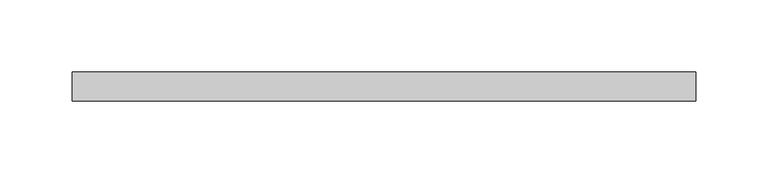
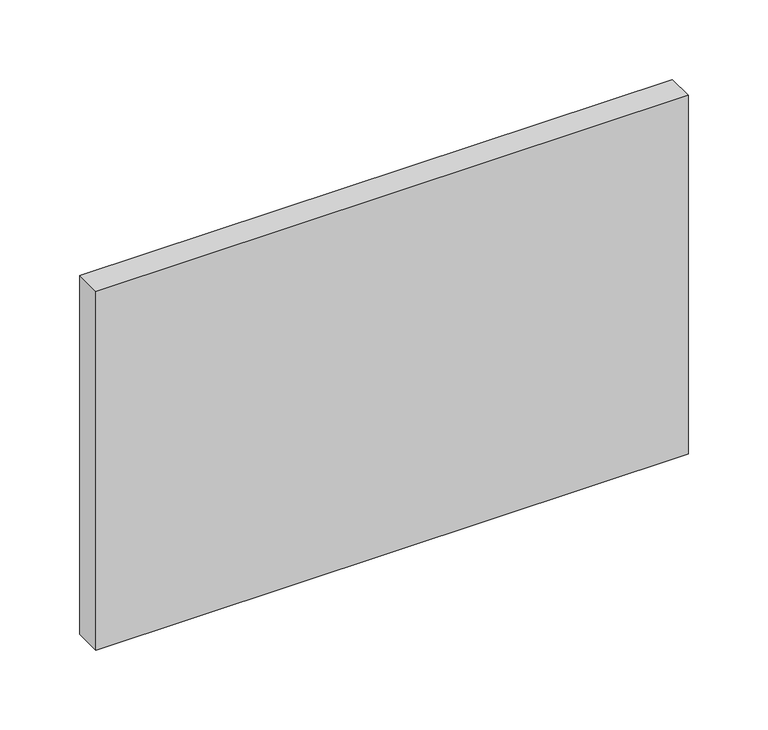
"""IFC4 building model written with IfcOpenShell, lengths in millimetres: plate geometry."""

import ifcopenshell
import ifcopenshell.guid

model = None  # the IFC model being written
_history = None  # IfcOwnerHistory: only IFC2X3 demands one
_inside = {}  # id of a spatial element -> (the spatial element, [elements in it])
_under = {}  # id of a project, library or spatial element -> (it, [spatial elements below it])
_declared = {}  # id of a project -> (the project, [libraries it declares])
_typed = {}  # id of a type object -> (the type object, [elements of that type])
_made_of = {}  # id of a material, layer set ... -> (it, [elements and type objects made of it])


def new_model(schema):
    """Start an empty IFC model of exactly this schema.

    Asked for "IFC4X3", IfcOpenShell would pick the latest addendum, in which some entities
    have other attributes; the version numbers below select the first issue.
    IFC2X3 requires an IfcOwnerHistory on every rooted entity: one is made here for all.
    """
    global model, _history
    if schema == "IFC4X3":
        model = ifcopenshell.file(schema_version=(4, 3, 0, 0))
    else:
        model = ifcopenshell.file(schema=schema)
    _inside.clear()
    _under.clear()
    _declared.clear()
    _typed.clear()
    _made_of.clear()
    _history = None
    if model.schema == "IFC2X3":
        org = make("IfcOrganization", Name="unknown")
        user = make(
            "IfcPersonAndOrganization",
            ThePerson=make("IfcPerson", FamilyName="unknown"),
            TheOrganization=org,
        )
        app = make(
            "IfcApplication",
            ApplicationDeveloper=org,
            Version="unknown",
            ApplicationFullName="unknown",
            ApplicationIdentifier="unknown",
        )
        _history = make(
            "IfcOwnerHistory",
            OwningUser=user,
            OwningApplication=app,
            ChangeAction="ADDED",
            CreationDate=0,
        )
    return model


def make(cls, **values):
    """One entity of the class cls with the attributes given. An attribute that is None is left unset."""
    return model.create_entity(
        cls, **{name: value for name, value in values.items() if value is not None}
    )


def rooted(cls, **values):
    """An entity with a GlobalId (a new one), such as an element, a storey or a relation."""
    return make(cls, GlobalId=ifcopenshell.guid.new(), OwnerHistory=_history, **values)


def si_unit(unit_type, name, prefix=None):
    """IfcSIUnit, for example si_unit("LENGTHUNIT", "METRE", prefix="MILLI")."""
    return make("IfcSIUnit", UnitType=unit_type, Prefix=prefix, Name=name)


def assignment(units):
    """IfcUnitAssignment: the units of a project."""
    return None if units is None else make("IfcUnitAssignment", Units=units)


def point(xyz):
    """IfcCartesianPoint."""
    return None if xyz is None else make("IfcCartesianPoint", Coordinates=xyz)


def direction(xyz):
    """IfcDirection."""
    return None if xyz is None else make("IfcDirection", DirectionRatios=xyz)


def frame(location, z_axis=None, x_axis=None):
    """IfcAxis2Placement3D, a coordinate frame: its origin and axes. An axis left out is left unset."""
    return make(
        "IfcAxis2Placement3D",
        Location=point(location),
        Axis=direction(z_axis),
        RefDirection=direction(x_axis),
    )


def origin():
    """The frame at (0, 0, 0) with its axes left unset."""
    return frame((0.0, 0.0, 0.0))


def origin_with_axes():
    """The frame at (0, 0, 0) with the z axis (0, 0, 1) and the x axis (1, 0, 0) written out."""
    return frame((0.0, 0.0, 0.0), z_axis=(0.0, 0.0, 1.0), x_axis=(1.0, 0.0, 0.0))


def place(relative_to, where):
    """IfcLocalPlacement: puts the frame where relative to a parent placement (None: the world)."""
    return make(
        "IfcLocalPlacement", PlacementRelTo=relative_to, RelativePlacement=where
    )


def context(
    kind, dimensions, precision=None, world=None, true_north=None, identifier=None
):
    """IfcGeometricRepresentationContext, for example the 3D "Model" context."""
    return make(
        "IfcGeometricRepresentationContext",
        ContextIdentifier=identifier,
        ContextType=kind,
        CoordinateSpaceDimension=dimensions,
        Precision=precision,
        WorldCoordinateSystem=world,
        TrueNorth=true_north,
    )


def project(units=None, contexts=None):
    """IfcProject with its units and contexts."""
    return rooted(
        "IfcProject",
        Name="project",
        RepresentationContexts=contexts,
        UnitsInContext=assignment(units),
    )


def spatial(cls, under=None, at=None, **own):
    """A site, building, storey or space (cls), placed at a placement, below another one or the project."""
    s = rooted(cls, ObjectPlacement=at, **own)
    if under is not None:
        _under.setdefault(under.id(), (under, []))[1].append(s)
    return s


def polyline(points):
    """IfcPolyline through the points."""
    return make("IfcPolyline", Points=[point(p) for p in points])


def outline(outer, holes=None, kind="AREA"):
    """IfcArbitraryClosedProfileDef: a profile drawn as a closed curve; with holes, ...WithVoids."""
    if holes is None:
        return make("IfcArbitraryClosedProfileDef", ProfileType=kind, OuterCurve=outer)
    return make(
        "IfcArbitraryProfileDefWithVoids",
        ProfileType=kind,
        OuterCurve=outer,
        InnerCurves=holes,
    )


def extrude(swept, where, along, depth):
    """IfcExtrudedAreaSolid: the profile swept, set in the frame where, extruded along a direction by depth."""
    return make(
        "IfcExtrudedAreaSolid",
        SweptArea=swept,
        Position=where,
        ExtrudedDirection=direction(along),
        Depth=depth,
    )


def shape(context_of_items, identifier, shape_type, items):
    """IfcShapeRepresentation: the items that make up one representation, for example the "Body"."""
    return make(
        "IfcShapeRepresentation",
        ContextOfItems=context_of_items,
        RepresentationIdentifier=identifier,
        RepresentationType=shape_type,
        Items=items,
    )


def source(mapping_origin, context_of_items, identifier, shape_type, items):
    """IfcRepresentationMap: a shape defined once, which mapped items show again and again."""
    return make(
        "IfcRepresentationMap",
        MappingOrigin=mapping_origin,
        MappedRepresentation=shape(context_of_items, identifier, shape_type, items),
    )


def transform(
    local_origin,
    x_axis=None,
    y_axis=None,
    z_axis=None,
    scale=None,
    scale2=None,
    scale3=None,
    uniform=True,
):
    """IfcCartesianTransformationOperator3D, or its non-uniform kind. x_axis, y_axis, z_axis: its Axis1, 2, 3."""
    if uniform:
        return make(
            "IfcCartesianTransformationOperator3D",
            Axis1=direction(x_axis),
            Axis2=direction(y_axis),
            LocalOrigin=point(local_origin),
            Scale=scale,
            Axis3=direction(z_axis),
        )
    return make(
        "IfcCartesianTransformationOperator3DnonUniform",
        Axis1=direction(x_axis),
        Axis2=direction(y_axis),
        LocalOrigin=point(local_origin),
        Scale=scale,
        Axis3=direction(z_axis),
        Scale2=scale2,
        Scale3=scale3,
    )


def mapped(mapping_source, mapping_target):
    """IfcMappedItem: shows the shape of a source again, moved by a transform."""
    return make(
        "IfcMappedItem", MappingSource=mapping_source, MappingTarget=mapping_target
    )


def made_of(thing, what):
    """Note that an element or type object is made of a material, layer set ...; save() writes the relation."""
    if what is not None:
        _made_of.setdefault(what.id(), (what, []))[1].append(thing)
    return thing


def element(
    cls,
    number,
    at=None,
    inside=None,
    cuts=None,
    type_object=None,
    material=None,
    context=None,
    identifier="Body",
    shape_type=None,
    held_by="IfcProductDefinitionShape",
    body=None,
    shapes=None,
    **own,
):
    """One element of the class cls, such as IfcWall. Its Tag is "e" and its number.

    at: its placement. inside: the storey or other place that contains it. cuts: it is an
    opening in that element (IfcRelVoidsElement). A single representation is given by context,
    identifier, shape_type and body (its items); several are given by shapes. held_by: the class
    of the entity that holds the representations. save() writes the other relations.
    """
    e = rooted(cls, Tag="e%d" % number, ObjectPlacement=at, **own)
    if body is not None:
        shapes = [shape(context, identifier, shape_type, body)]
    if shapes is not None:
        e.Representation = make(held_by, Representations=shapes)
    if inside is not None:
        _inside.setdefault(inside.id(), (inside, []))[1].append(e)
    if cuts is not None:
        rooted(
            "IfcRelVoidsElement", RelatingBuildingElement=cuts, RelatedOpeningElement=e
        )
    if type_object is not None:
        _typed.setdefault(type_object.id(), (type_object, []))[1].append(e)
    return made_of(e, material)


def aggregate(whole, parts):
    """IfcRelAggregates: a whole, such as a stair, and the parts it consists of."""
    return rooted("IfcRelAggregates", RelatingObject=whole, RelatedObjects=parts)


def save(model, path):
    """Write the relations noted so far, then the file.

    IfcRelAggregates (storeys below a building ...), IfcRelContainedInSpatialStructure (elements
    in a storey), IfcRelDefinesByType, IfcRelAssociatesMaterial and IfcRelDeclares: one each for
    every whole, place, type object, material and project.
    """
    for whole, parts in _under.values():
        aggregate(whole, parts)
    for where, things in _inside.values():
        rooted(
            "IfcRelContainedInSpatialStructure",
            RelatedElements=things,
            RelatingStructure=where,
        )
    for kind, things in _typed.values():
        rooted("IfcRelDefinesByType", RelatedObjects=things, RelatingType=kind)
    for what, things in _made_of.values():
        rooted("IfcRelAssociatesMaterial", RelatedObjects=things, RelatingMaterial=what)
    for by, libraries in _declared.values():
        rooted("IfcRelDeclares", RelatingContext=by, RelatedDefinitions=libraries)
    model.write(path)


def plate_c3858f23(model_context):
    return source(origin(), model_context, "Body", "SweptSolid", [
        extrude(outline(polyline([(214.8913043, 70.0), (-214.8913043, 70.0), (-214.8913043, 90.0), (214.8913043, 90.0), (214.8913043, 70.0)])), origin_with_axes(), (0.0, 0.0, 1.0), 274.9746456),
    ])


if __name__ == "__main__":
    model = new_model("IFC4")
    model_context = context("Model", 3, world=origin())
    ifc_project = project(units=[si_unit("LENGTHUNIT", "METRE", prefix="MILLI")], contexts=[model_context])
    site = spatial("IfcSite", under=ifc_project)
    building = spatial("IfcBuilding", under=site)
    placement = place(None, origin())
    plate_shape = plate_c3858f23(model_context)
    element("IfcPlate", 1, at=placement, inside=building, context=model_context, shape_type="MappedRepresentation", body=[
        mapped(plate_shape, transform((0.0, 0.0, 0.0), x_axis=(1.0, 0.0, 0.0), y_axis=(0.0, 1.0, 0.0), z_axis=(0.0, 0.0, 1.0))),
    ])
    save(model, "model.ifc")
